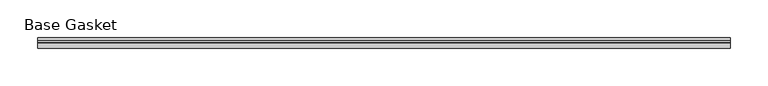
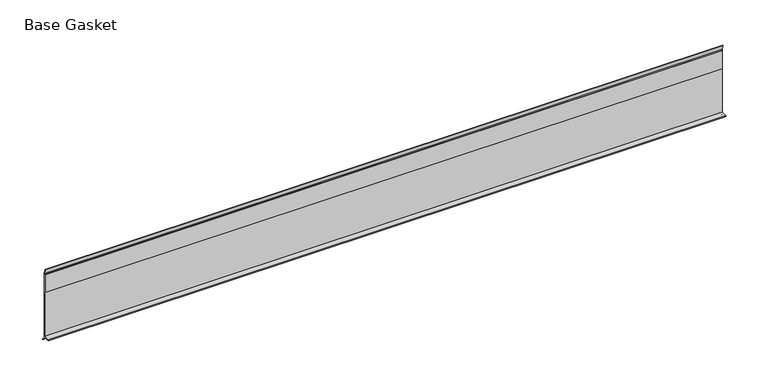
"""IFC4 building model written with IfcOpenShell, lengths in millimetres: furniture geometry, Base Gasket."""

from ifc_helpers import new_model, si_unit, frame, origin, place, context, project, spatial, polyline, outline, extrude, source, transform, mapped, element, save


def base_gasket_9bbec967(model_context):
    return source(origin(), model_context, "Body", "SweptSolid", [
        extrude(outline(polyline([(3.7283812, 98.4568417), (3.7283812, 4.3498477), (7.4222115, 0.6560174), (7.8482342, 0.0), (6.8281054, 0.3520979), (2.2043812, 4.3498477), (2.1334222, 6.3818476), (-6.2405171, 6.3818476), (-6.2405171, 7.9398773), (2.2043812, 7.9398773), (2.2043812, 71.4693447), (1.4106313, 71.4693447), (1.4106313, 96.8693477), (2.2043812, 96.8693477), (2.2043812, 98.4568417), (0.6755308, 104.4162708), (0.6755308, 105.2002997), (1.1891543, 104.587663), (3.7283812, 98.4568417)])), frame((-1527.8982117, 0.0, 0.0), z_axis=(1.0, 0.0, 0.0), x_axis=(0.0, 1.0, 0.0)), (0.0, 0.0, 1.0), 922.2573348),
    ])


if __name__ == "__main__":
    model = new_model("IFC4")
    model_context = context("Model", 3, world=origin())
    ifc_project = project(units=[si_unit("LENGTHUNIT", "METRE", prefix="MILLI")], contexts=[model_context])
    site = spatial("IfcSite", under=ifc_project)
    building = spatial("IfcBuilding", under=site)
    placement = place(None, origin())
    base_gasket_shape = base_gasket_9bbec967(model_context)
    element("IfcFurniture", 1, ObjectType="Base Gasket", at=placement, inside=building, context=model_context, shape_type="MappedRepresentation", body=[
        mapped(base_gasket_shape, transform((0.0, 0.0, 0.0), x_axis=(1.0, 0.0, 0.0), y_axis=(0.0, 1.0, 0.0), z_axis=(0.0, 0.0, 1.0))),
    ])
    save(model, "model.ifc")
